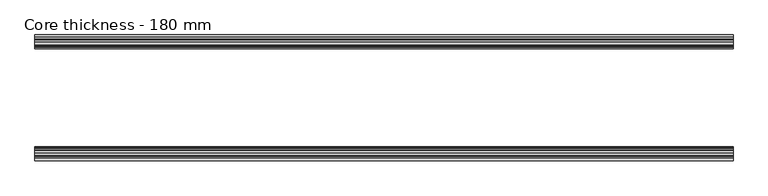
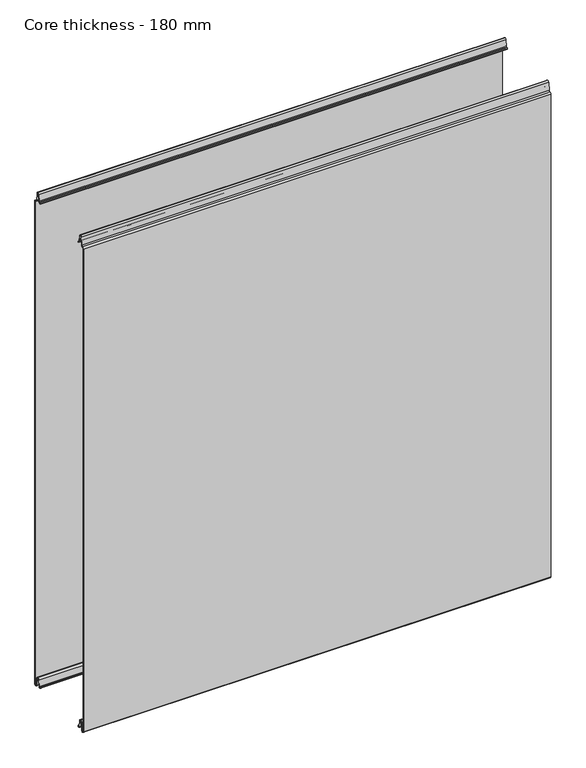
"""IFC4 building model written with IfcOpenShell, lengths in millimetres: plate geometry, Core thickness - 180 mm."""

from ifc_helpers import new_model, si_unit, frame, origin, place, context, project, spatial, polyline, circle_curve, source, transform, mapped, element, save
from ifc_brep_helpers import plane_surface, cylinder_surface, revolved_surface, advanced_brep


def core_thickness_180_mm_349e1e06(model_context):
    return source(origin(), model_context, "Body", "AdvancedBrep", [
        advanced_brep(
        [(500.0000002, -179.1996949, 1093.8000005), (500.0000002, -176.6339815, 1096.1942726), (500.0000002, -173.1209335, 1099.1779769), (500.0000002, -171.4584333, 1116.1334653), (500.0000002, -169.1776715, 1118.1999998), (500.0000002, -166.8969097, 1116.1334653), (500.0000002, -165.5642071, 1102.5415123), (500.0000002, -162.9766159, 1100.1952279), (500.0000002, -161.8996949, 1100.1952279), (500.0000002, -161.2996949, 1099.5952279), (500.0000002, -161.2996949, 1098.4952279), (500.0000002, -160.4996949, 1098.4952279), (500.0000002, -160.4996949, 1099.5952279), (500.0000002, -161.8996949, 1100.9952279), (500.0000002, -162.9766159, 1100.9952279), (500.0000002, -164.7680252, 1102.6195786), (500.0000002, -166.1007278, 1116.2115316), (500.0000002, -169.1776715, 1119.0), (500.0000002, -172.2546153, 1116.2115316), (500.0000002, -173.9171154, 1099.2560432), (500.0000002, -176.5778021, 1097.005967), (500.0000002, -179.9996949, 1093.8000005), (500.0000002, -179.9996949, 2.9900682), (500.0000002, -173.81449, 2.6875612), (500.0000002, -172.197116, 19.1828169), (500.0000002, -169.1776715, 21.8898782), (500.0000002, -166.1582271, 19.1828169), (500.0000002, -164.7725998, 5.0510966), (500.0000002, -160.3830995, 5.265779), (500.0000002, -161.1830995, 5.265779), (500.0000002, -163.9764178, 5.1291629), (500.0000002, -165.3620451, 19.2608832), (500.0000002, -169.1776715, 22.6899182), (500.0000002, -172.9932979, 19.2608832), (500.0000002, -174.6106719, 2.7656275), (500.0000002, -179.1996949, 2.9900682), (-500.0000002, -179.2, 1093.8000005), (-500.0000002, -179.2, 2.9900682), (-500.0000002, -174.6106719, 2.7656275), (-500.0000002, -172.9932979, 19.2608832), (-500.0000002, -169.1776715, 22.6899182), (-500.0000002, -165.3620451, 19.2608832), (-500.0000002, -163.9764178, 5.1291629), (-500.0000002, -161.1830995, 5.265779), (-500.0000002, -160.3830995, 5.265779), (-500.0000002, -164.7725998, 5.0510966), (-500.0000002, -166.1582271, 19.1828169), (-500.0000002, -169.1776715, 21.8898782), (-500.0000002, -172.197116, 19.1828169), (-500.0000002, -173.81449, 2.6875612), (-500.0000002, -179.9996949, 2.9900682), (-500.0000002, -179.9996949, 1093.8000005), (-500.0000002, -176.5787437, 1096.9923633), (-500.0000002, -173.9171154, 1099.2560432), (-500.0000002, -172.2546153, 1116.2115316), (-500.0000002, -169.1776715, 1119.0), (-500.0000002, -166.1007278, 1116.2115316), (-500.0000002, -164.7680252, 1102.6195786), (-500.0000002, -162.9766159, 1100.9952279), (-500.0000002, -161.8996949, 1100.9952279), (-500.0000002, -160.4996949, 1099.5952279), (-500.0000002, -160.4996949, 1098.4952279), (-500.0000002, -161.2996949, 1098.4952279), (-500.0000002, -161.2996949, 1099.5952279), (-500.0000002, -161.8996949, 1100.1952279), (-500.0000002, -162.9766159, 1100.1952279), (-500.0000002, -165.5642071, 1102.5415123), (-500.0000002, -166.8969097, 1116.1334653), (-500.0000002, -169.1776715, 1118.1999998), (-500.0000002, -171.4584333, 1116.1334653), (-500.0000002, -173.1209335, 1099.1779769), (-500.0000002, -176.6330399, 1096.2078763)],
        [
            (0, 1, circle_curve(frame((500.0000002, -176.7996949, 1093.8000005), z_axis=(-1.0, 0.0, 0.0), x_axis=(0.0, 0.0, -1.0)), 2.4)),
            (1, 2, circle_curve(frame((500.0000002, -176.4051839, 1099.5000005), z_axis=(1.0, 0.0, 0.0), x_axis=(0.0, 0.0, -1.0)), 3.3)),
            (2, 3),
            (3, 4, circle_curve(frame((500.0000002, -169.1793626, 1115.9100005), z_axis=(-1.0, 0.0, 0.0), x_axis=(0.0, 0.0, -1.0)), 2.29)),
            (4, 5, circle_curve(frame((500.0000002, -169.1759805, 1115.9100005), z_axis=(-1.0, 0.0, 0.0), x_axis=(0.0, 0.0, -1.0)), 2.29)),
            (5, 6),
            (6, 7, circle_curve(frame((500.0000002, -162.9766159, 1102.7952279), z_axis=(1.0, 0.0, 0.0), x_axis=(0.0, 0.0, -1.0)), 2.6)),
            (7, 8),
            (8, 9, circle_curve(frame((500.0000002, -161.8996949, 1099.5952279), z_axis=(-1.0, 0.0, 0.0), x_axis=(0.0, 0.0, -1.0)), 0.6)),
            (9, 10),
            (10, 11),
            (11, 12),
            (12, 13, circle_curve(frame((500.0000002, -161.8996949, 1099.5952279), z_axis=(1.0, 0.0, 0.0), x_axis=(0.0, 0.0, -1.0)), 1.4)),
            (13, 14),
            (14, 15, circle_curve(frame((500.0000002, -162.9766159, 1102.7952279), z_axis=(-1.0, 0.0, 0.0), x_axis=(0.0, 0.0, -1.0)), 1.8)),
            (15, 16),
            (16, 17, circle_curve(frame((500.0000002, -169.1759805, 1115.9100005), z_axis=(1.0, 0.0, 0.0), x_axis=(0.0, 0.0, -1.0)), 3.09)),
            (17, 18, circle_curve(frame((500.0000002, -169.1793626, 1115.9100005), z_axis=(1.0, 0.0, 0.0), x_axis=(0.0, 0.0, -1.0)), 3.09)),
            (18, 19),
            (19, 20, circle_curve(frame((500.0000002, -176.4051839, 1099.5000005), z_axis=(-1.0, 0.0, 0.0), x_axis=(0.0, 0.0, -1.0)), 2.5)),
            (20, 21, circle_curve(frame((500.0000002, -176.7996949, 1093.8000005), z_axis=(1.0, 0.0, 0.0), x_axis=(0.0, 0.0, -1.0)), 3.2)),
            (21, 22),
            (22, 23, circle_curve(frame((500.0000002, -176.8996949, 2.9900682), z_axis=(1.0, 0.0, 0.0), x_axis=(0.0, 0.0, -1.0)), 3.1)),
            (23, 24),
            (24, 25, circle_curve(frame((500.0000002, -169.2114338, 18.8900682), z_axis=(-1.0, 0.0, 0.0), x_axis=(0.0, 0.0, -1.0)), 3.0)),
            (25, 26, circle_curve(frame((500.0000002, -169.1439093, 18.8900682), z_axis=(-1.0, 0.0, 0.0), x_axis=(0.0, 0.0, -1.0)), 3.0)),
            (26, 27),
            (27, 28, circle_curve(frame((500.0000002, -162.5830995, 5.265779), z_axis=(1.0, 0.0, 0.0), x_axis=(0.0, 0.0, -1.0)), 2.2)),
            (28, 29),
            (29, 30, circle_curve(frame((500.0000002, -162.5830995, 5.265779), z_axis=(-1.0, 0.0, 0.0), x_axis=(0.0, 0.0, -1.0)), 1.4)),
            (30, 31),
            (31, 32, circle_curve(frame((500.0000002, -169.1439093, 18.8900682), z_axis=(1.0, 0.0, 0.0), x_axis=(0.0, 0.0, -1.0)), 3.8)),
            (32, 33, circle_curve(frame((500.0000002, -169.2114338, 18.8900682), z_axis=(1.0, 0.0, 0.0), x_axis=(0.0, 0.0, -1.0)), 3.8)),
            (33, 34),
            (34, 35, circle_curve(frame((500.0000002, -176.8996949, 2.9900682), z_axis=(-1.0, 0.0, 0.0), x_axis=(0.0, 0.0, -1.0)), 2.3)),
            (35, 0),
            (36, 37),
            (37, 38, circle_curve(frame((-500.0000002, -176.8996949, 2.9900682), z_axis=(1.0, 0.0, 0.0), x_axis=(0.0, 0.0, -1.0)), 2.3)),
            (38, 39),
            (39, 40, circle_curve(frame((-500.0000002, -169.2114338, 18.8900682), z_axis=(-1.0, 0.0, 0.0), x_axis=(0.0, 0.0, -1.0)), 3.8)),
            (40, 41, circle_curve(frame((-500.0000002, -169.1439093, 18.8900682), z_axis=(-1.0, 0.0, 0.0), x_axis=(0.0, 0.0, -1.0)), 3.8)),
            (41, 42),
            (42, 43, circle_curve(frame((-500.0000002, -162.5830995, 5.265779), z_axis=(1.0, 0.0, 0.0), x_axis=(0.0, 0.0, -1.0)), 1.4)),
            (43, 44),
            (44, 45, circle_curve(frame((-500.0000002, -162.5830995, 5.265779), z_axis=(-1.0, 0.0, 0.0), x_axis=(0.0, 0.0, -1.0)), 2.2)),
            (45, 46),
            (46, 47, circle_curve(frame((-500.0000002, -169.1439093, 18.8900682), z_axis=(1.0, 0.0, 0.0), x_axis=(0.0, 0.0, -1.0)), 3.0)),
            (47, 48, circle_curve(frame((-500.0000002, -169.2114338, 18.8900682), z_axis=(1.0, 0.0, 0.0), x_axis=(0.0, 0.0, -1.0)), 3.0)),
            (48, 49),
            (49, 50, circle_curve(frame((-500.0000002, -176.8996949, 2.9900682), z_axis=(-1.0, 0.0, 0.0), x_axis=(0.0, 0.0, -1.0)), 3.1)),
            (50, 51),
            (51, 52, circle_curve(frame((-500.0000002, -176.7996949, 1093.8000005), z_axis=(-1.0, 0.0, 0.0), x_axis=(0.0, 0.0, -1.0)), 3.2)),
            (52, 53, circle_curve(frame((-500.0000002, -176.4051839, 1099.5000005), z_axis=(1.0, 0.0, 0.0), x_axis=(0.0, 0.0, -1.0)), 2.5)),
            (53, 54),
            (54, 55, circle_curve(frame((-500.0000002, -169.1793626, 1115.9100005), z_axis=(-1.0, 0.0, 0.0), x_axis=(0.0, 0.0, -1.0)), 3.09)),
            (55, 56, circle_curve(frame((-500.0000002, -169.1759805, 1115.9100005), z_axis=(-1.0, 0.0, 0.0), x_axis=(0.0, 0.0, -1.0)), 3.09)),
            (56, 57),
            (57, 58, circle_curve(frame((-500.0000002, -162.9766159, 1102.7952279), z_axis=(1.0, 0.0, 0.0), x_axis=(0.0, 0.0, -1.0)), 1.8)),
            (58, 59),
            (59, 60, circle_curve(frame((-500.0000002, -161.8996949, 1099.5952279), z_axis=(-1.0, 0.0, 0.0), x_axis=(0.0, 0.0, -1.0)), 1.4)),
            (60, 61),
            (61, 62),
            (62, 63),
            (63, 64, circle_curve(frame((-500.0000002, -161.8996949, 1099.5952279), z_axis=(1.0, 0.0, 0.0), x_axis=(0.0, 0.0, -1.0)), 0.6)),
            (64, 65),
            (65, 66, circle_curve(frame((-500.0000002, -162.9766159, 1102.7952279), z_axis=(-1.0, 0.0, 0.0), x_axis=(0.0, 0.0, -1.0)), 2.6)),
            (66, 67),
            (67, 68, circle_curve(frame((-500.0000002, -169.1759805, 1115.9100005), z_axis=(1.0, 0.0, 0.0), x_axis=(0.0, 0.0, -1.0)), 2.29)),
            (68, 69, circle_curve(frame((-500.0000002, -169.1793626, 1115.9100005), z_axis=(1.0, 0.0, 0.0), x_axis=(0.0, 0.0, -1.0)), 2.29)),
            (69, 70),
            (70, 71, circle_curve(frame((-500.0000002, -176.4051839, 1099.5000005), z_axis=(-1.0, 0.0, 0.0), x_axis=(0.0, 0.0, -1.0)), 3.3)),
            (71, 36, circle_curve(frame((-500.0000002, -176.7996949, 1093.8000005), z_axis=(1.0, 0.0, 0.0), x_axis=(0.0, 0.0, -1.0)), 2.4)),
            (35, 37),
            (36, 0),
            (21, 51),
            (50, 22),
            (20, 52),
            (19, 53),
            (18, 54),
            (17, 55),
            (16, 56),
            (15, 57),
            (14, 58),
            (13, 59),
            (12, 60),
            (11, 61),
            (10, 62),
            (9, 63),
            (8, 64),
            (7, 65),
            (6, 66),
            (5, 67),
            (4, 68),
            (3, 69),
            (2, 70),
            (1, 71),
            (34, 38),
            (33, 39),
            (32, 40),
            (31, 41),
            (30, 42),
            (29, 43),
            (28, 44),
            (27, 45),
            (26, 46),
            (25, 47),
            (24, 48),
            (23, 49),
        ],
        [
            plane_surface(frame((500.0000002, -180.0, 0.0), z_axis=(1.0, 0.0, 0.0), x_axis=(0.0, 1.0, 0.0))),
            plane_surface(frame((-500.0000002, -180.0, 0.0), z_axis=(-1.0, 0.0, 0.0), x_axis=(0.0, 1.0, 0.0))),
            plane_surface(frame((500.0000002, -179.2, 2.9900682), z_axis=(0.0, 1.0, 0.0), x_axis=(-1.0, 0.0, 0.0))),
            plane_surface(frame((500.0000002, -179.9996949, 1093.8000005), z_axis=(0.0, -1.0, 0.0), x_axis=(-1.0, 0.0, 0.0))),
            cylinder_surface(frame((500.0000002, -176.7996949, 1093.8000005), z_axis=(1.0, 0.0, 0.0), x_axis=(0.0, 0.0, -1.0)), 3.2),
            revolved_surface(polyline([(-500.0000002, -176.4051839, 1097.0000005), (500.0000002, -176.4051839, 1097.0000005)]), (500.0000002, -176.4051839, 1099.5000005), (-1.0, 0.0, 0.0)),
            plane_surface(frame((500.0000002, -172.2546153, 1116.2115316), z_axis=(0.0, -0.9952273999818317, 0.0975828997591444), x_axis=(-1.0, 0.0, 0.0))),
            cylinder_surface(frame((500.0000002, -169.1793626, 1115.9100005), z_axis=(1.0, 0.0, 0.0), x_axis=(0.0, 0.0, -1.0)), 3.09),
            cylinder_surface(frame((500.0000002, -169.1759805, 1115.9100005), z_axis=(1.0, 0.0, 0.0), x_axis=(0.0, 0.0, -1.0)), 3.09),
            plane_surface(frame((500.0000002, -164.7680252, 1102.6195786), z_axis=(0.0, 0.9952273999818314, 0.0975828997591471), x_axis=(-1.0, 0.0, 0.0))),
            revolved_surface(polyline([(-500.0000002, -162.9766159, 1100.9952279000001), (500.0000002, -162.9766159, 1100.9952279000001)]), (500.0000002, -162.9766159, 1102.7952279), (-1.0, 0.0, 0.0)),
            plane_surface(frame((500.0000002, -161.8996949, 1100.9952279), z_axis=(0.0, 0.0, 1.0), x_axis=(-1.0, 0.0, 0.0))),
            cylinder_surface(frame((500.0000002, -161.8996949, 1099.5952279), z_axis=(1.0, 0.0, 0.0), x_axis=(0.0, 0.0, -1.0)), 1.4),
            plane_surface(frame((500.0000002, -160.4996949, 1098.4952279), z_axis=(0.0, 1.0, 0.0), x_axis=(-1.0, 0.0, 0.0))),
            plane_surface(frame((500.0000002, -161.2996949, 1098.4952279), z_axis=(0.0, 0.0, -1.0), x_axis=(-1.0, 0.0, 0.0))),
            plane_surface(frame((500.0000002, -161.2996949, 1099.5952279), z_axis=(0.0, -1.0, 0.0), x_axis=(-1.0, 0.0, 0.0))),
            revolved_surface(polyline([(-500.0000002, -161.8996949, 1098.9952279000001), (500.0000002, -161.8996949, 1098.9952279000001)]), (500.0000002, -161.8996949, 1099.5952279), (-1.0, 0.0, 0.0)),
            plane_surface(frame((500.0000002, -162.9766159, 1100.1952279), z_axis=(0.0, 0.0, -1.0), x_axis=(-1.0, 0.0, 0.0))),
            cylinder_surface(frame((500.0000002, -162.9766159, 1102.7952279), z_axis=(1.0, 0.0, 0.0), x_axis=(0.0, 0.0, -1.0)), 2.6),
            plane_surface(frame((500.0000002, -166.8969097, 1116.1334653), z_axis=(0.0, -0.9952273999818314, -0.09758289975914705), x_axis=(-1.0, 0.0, 0.0))),
            revolved_surface(polyline([(-500.0000002, -169.1759805, 1113.6200005), (500.0000002, -169.1759805, 1113.6200005)]), (500.0000002, -169.1759805, 1115.9100005), (-1.0, 0.0, 0.0)),
            revolved_surface(polyline([(-500.0000002, -169.1793626, 1113.6200005), (500.0000002, -169.1793626, 1113.6200005)]), (500.0000002, -169.1793626, 1115.9100005), (-1.0, 0.0, 0.0)),
            plane_surface(frame((500.0000002, -173.1209335, 1099.1779769), z_axis=(0.0, 0.9952273999818317, -0.09758289975914436), x_axis=(-1.0, 0.0, 0.0))),
            cylinder_surface(frame((500.0000002, -176.4051839, 1099.5000005), z_axis=(1.0, 0.0, 0.0), x_axis=(0.0, 0.0, -1.0)), 3.3),
            revolved_surface(polyline([(-500.0000002, -176.7996949, 1091.4000004999998), (500.0000002, -176.7996949, 1091.4000004999998)]), (500.0000002, -176.7996949, 1093.8000005), (-1.0, 0.0, 0.0)),
            revolved_surface(polyline([(-500.0000002, -176.8996949, 0.6900682000000002), (500.0000002, -176.8996949, 0.6900682000000002)]), (500.0000002, -176.8996949, 2.9900682), (-1.0, 0.0, 0.0)),
            plane_surface(frame((500.0000002, -172.9932979, 19.2608832), z_axis=(0.0, -0.9952273999818314, 0.09758289975914787), x_axis=(-1.0, 0.0, 0.0))),
            cylinder_surface(frame((500.0000002, -169.2114338, 18.8900682), z_axis=(1.0, 0.0, 0.0), x_axis=(0.0, 0.0, -1.0)), 3.8),
            cylinder_surface(frame((500.0000002, -169.1439093, 18.8900682), z_axis=(1.0, 0.0, 0.0), x_axis=(0.0, 0.0, -1.0)), 3.8),
            plane_surface(frame((500.0000002, -163.9764178, 5.1291629), z_axis=(0.0, 0.9952273999818297, 0.09758289975916531), x_axis=(-1.0, 0.0, 0.0))),
            revolved_surface(polyline([(-500.0000002, -162.5830995, 3.8657790000000003), (500.0000002, -162.5830995, 3.8657790000000003)]), (500.0000002, -162.5830995, 5.265779), (-1.0, 0.0, 0.0)),
            plane_surface(frame((500.0000002, -160.3830995, 5.265779), z_axis=(0.0, 0.0, 1.0), x_axis=(-1.0, 0.0, 0.0))),
            cylinder_surface(frame((500.0000002, -162.5830995, 5.265779), z_axis=(1.0, 0.0, 0.0), x_axis=(0.0, 0.0, -1.0)), 2.2),
            plane_surface(frame((500.0000002, -166.1582271, 19.1828169), z_axis=(0.0, -0.9952273999818296, -0.09758289975916527), x_axis=(-1.0, 0.0, 0.0))),
            revolved_surface(polyline([(-500.0000002, -169.1439093, 15.890068200000002), (500.0000002, -169.1439093, 15.890068200000002)]), (500.0000002, -169.1439093, 18.8900682), (-1.0, 0.0, 0.0)),
            revolved_surface(polyline([(-500.0000002, -169.2114338, 15.890068200000002), (500.0000002, -169.2114338, 15.890068200000002)]), (500.0000002, -169.2114338, 18.8900682), (-1.0, 0.0, 0.0)),
            plane_surface(frame((500.0000002, -173.81449, 2.6875612), z_axis=(0.0, 0.9952273999818314, -0.09758289975914787), x_axis=(-1.0, 0.0, 0.0))),
            cylinder_surface(frame((500.0000002, -176.8996949, 2.9900682), z_axis=(1.0, 0.0, 0.0), x_axis=(0.0, 0.0, -1.0)), 3.1),
        ],
        [
            (0, [[1, 2, 3, 4, 5, 6, 7, 8, 9, 10, 11, 12, 13, 14, 15, 16, 17, 18, 19, 20, 21, 22, 23, 24, 25, 26, 27, 28, 29, 30, 31, 32, 33, 34, 35, 36]]),
            (1, [[37, 38, 39, 40, 41, 42, 43, 44, 45, 46, 47, 48, 49, 50, 51, 52, 53, 54, 55, 56, 57, 58, 59, 60, 61, 62, 63, 64, 65, 66, 67, 68, 69, 70, 71, 72]]),
            (2, [[-36, 73, -37, 74]]),
            (3, [[-22, 75, -51, 76]]),
            (4, [[-21, 77, -52, -75]]),
            (5, [[-20, 78, -53, -77]]),
            (6, [[-19, 79, -54, -78]]),
            (7, [[-18, 80, -55, -79]]),
            (8, [[-17, 81, -56, -80]]),
            (9, [[-16, 82, -57, -81]]),
            (10, [[-15, 83, -58, -82]]),
            (11, [[-14, 84, -59, -83]]),
            (12, [[-13, 85, -60, -84]]),
            (13, [[-12, 86, -61, -85]]),
            (14, [[-11, 87, -62, -86]]),
            (15, [[-10, 88, -63, -87]]),
            (16, [[-9, 89, -64, -88]]),
            (17, [[-8, 90, -65, -89]]),
            (18, [[-7, 91, -66, -90]]),
            (19, [[-6, 92, -67, -91]]),
            (20, [[-5, 93, -68, -92]]),
            (21, [[-4, 94, -69, -93]]),
            (22, [[-3, 95, -70, -94]]),
            (23, [[-2, 96, -71, -95]]),
            (24, [[-1, -74, -72, -96]]),
            (25, [[-35, 97, -38, -73]]),
            (26, [[-34, 98, -39, -97]]),
            (27, [[-33, 99, -40, -98]]),
            (28, [[-32, 100, -41, -99]]),
            (29, [[-31, 101, -42, -100]]),
            (30, [[-30, 102, -43, -101]]),
            (31, [[-29, 103, -44, -102]]),
            (32, [[-28, 104, -45, -103]]),
            (33, [[-27, 105, -46, -104]]),
            (34, [[-26, 106, -47, -105]]),
            (35, [[-25, 107, -48, -106]]),
            (36, [[-24, 108, -49, -107]]),
            (37, [[-23, -76, -50, -108]]),
        ],
    ),
        advanced_brep(
        [(500.0000002, -0.8, 1093.8000005), (500.0000002, -0.8, 2.9900682), (500.0000002, -5.3893281, 2.7656275), (500.0000002, -7.0067021, 19.2608832), (500.0000002, -10.8223285, 22.6899182), (500.0000002, -14.6379549, 19.2608832), (500.0000002, -16.0235822, 5.1291629), (500.0000002, -18.8169005, 5.265779), (500.0000002, -19.6169005, 5.265779), (500.0000002, -15.2274002, 5.0510966), (500.0000002, -13.8417729, 19.1828169), (500.0000002, -10.8223285, 21.8898782), (500.0000002, -7.802884, 19.1828169), (500.0000002, -6.18551, 2.6875612), (500.0000002, -0.0003051, 2.9900682), (500.0000002, -0.0003051, 1093.8000005), (500.0000002, -3.4212563, 1096.9923633), (500.0000002, -6.0828846, 1099.2560432), (500.0000002, -7.7453847, 1116.2115316), (500.0000002, -10.8223285, 1119.0), (500.0000002, -13.8992722, 1116.2115316), (500.0000002, -15.2319748, 1102.6195786), (500.0000002, -17.0233841, 1100.9952279), (500.0000002, -18.1003051, 1100.9952279), (500.0000002, -19.5003051, 1099.5952279), (500.0000002, -19.5003051, 1098.4952279), (500.0000002, -18.7003051, 1098.4952279), (500.0000002, -18.7003051, 1099.5952279), (500.0000002, -18.1003051, 1100.1952279), (500.0000002, -17.0233841, 1100.1952279), (500.0000002, -14.4357929, 1102.5415123), (500.0000002, -13.1030903, 1116.1334653), (500.0000002, -10.8223285, 1118.1999998), (500.0000002, -8.5415667, 1116.1334653), (500.0000002, -6.8790665, 1099.1779769), (500.0000002, -3.3669601, 1096.2078763), (-500.0000002, -0.8003051, 1093.8000005), (-500.0000002, -3.3660185, 1096.1942726), (-500.0000002, -6.8790665, 1099.1779769), (-500.0000002, -8.5415667, 1116.1334653), (-500.0000002, -10.8223285, 1118.1999998), (-500.0000002, -13.1030903, 1116.1334653), (-500.0000002, -14.4357929, 1102.5415123), (-500.0000002, -17.0233841, 1100.1952279), (-500.0000002, -18.1003051, 1100.1952279), (-500.0000002, -18.7003051, 1099.5952279), (-500.0000002, -18.7003051, 1098.4952279), (-500.0000002, -19.5003051, 1098.4952279), (-500.0000002, -19.5003051, 1099.5952279), (-500.0000002, -18.1003051, 1100.9952279), (-500.0000002, -17.0233841, 1100.9952279), (-500.0000002, -15.2319748, 1102.6195786), (-500.0000002, -13.8992722, 1116.2115316), (-500.0000002, -10.8223285, 1119.0), (-500.0000002, -7.7453847, 1116.2115316), (-500.0000002, -6.0828846, 1099.2560432), (-500.0000002, -3.4221979, 1097.005967), (-500.0000002, -0.0003051, 1093.8000005), (-500.0000002, -0.0003051, 2.9900682), (-500.0000002, -6.18551, 2.6875612), (-500.0000002, -7.802884, 19.1828169), (-500.0000002, -10.8223285, 21.8898782), (-500.0000002, -13.8417729, 19.1828169), (-500.0000002, -15.2274002, 5.0510966), (-500.0000002, -19.6169005, 5.265779), (-500.0000002, -18.8169005, 5.265779), (-500.0000002, -16.0235822, 5.1291629), (-500.0000002, -14.6379549, 19.2608832), (-500.0000002, -10.8223285, 22.6899182), (-500.0000002, -7.0067021, 19.2608832), (-500.0000002, -5.3893281, 2.7656275), (-500.0000002, -0.8003051, 2.9900682)],
        [
            (0, 1),
            (1, 2, circle_curve(frame((500.0000002, -3.1003051, 2.9900682), z_axis=(-1.0, 0.0, 0.0), x_axis=(0.0, 0.0, -1.0)), 2.3)),
            (2, 3),
            (3, 4, circle_curve(frame((500.0000002, -10.7885662, 18.8900682), z_axis=(1.0, 0.0, 0.0), x_axis=(0.0, 0.0, -1.0)), 3.8)),
            (4, 5, circle_curve(frame((500.0000002, -10.8560907, 18.8900682), z_axis=(1.0, 0.0, 0.0), x_axis=(0.0, 0.0, -1.0)), 3.8)),
            (5, 6),
            (6, 7, circle_curve(frame((500.0000002, -17.4169005, 5.265779), z_axis=(-1.0, 0.0, 0.0), x_axis=(0.0, 0.0, -1.0)), 1.4)),
            (7, 8),
            (8, 9, circle_curve(frame((500.0000002, -17.4169005, 5.265779), z_axis=(1.0, 0.0, 0.0), x_axis=(0.0, 0.0, -1.0)), 2.2)),
            (9, 10),
            (10, 11, circle_curve(frame((500.0000002, -10.8560907, 18.8900682), z_axis=(-1.0, 0.0, 0.0), x_axis=(0.0, 0.0, -1.0)), 3.0)),
            (11, 12, circle_curve(frame((500.0000002, -10.7885662, 18.8900682), z_axis=(-1.0, 0.0, 0.0), x_axis=(0.0, 0.0, -1.0)), 3.0)),
            (12, 13),
            (13, 14, circle_curve(frame((500.0000002, -3.1003051, 2.9900682), z_axis=(1.0, 0.0, 0.0), x_axis=(0.0, 0.0, -1.0)), 3.1)),
            (14, 15),
            (15, 16, circle_curve(frame((500.0000002, -3.2003051, 1093.8000005), z_axis=(1.0, 0.0, 0.0), x_axis=(0.0, 0.0, -1.0)), 3.2)),
            (16, 17, circle_curve(frame((500.0000002, -3.5948161, 1099.5000005), z_axis=(-1.0, 0.0, 0.0), x_axis=(0.0, 0.0, -1.0)), 2.5)),
            (17, 18),
            (18, 19, circle_curve(frame((500.0000002, -10.8206374, 1115.9100005), z_axis=(1.0, 0.0, 0.0), x_axis=(0.0, 0.0, -1.0)), 3.09)),
            (19, 20, circle_curve(frame((500.0000002, -10.8240195, 1115.9100005), z_axis=(1.0, 0.0, 0.0), x_axis=(0.0, 0.0, -1.0)), 3.09)),
            (20, 21),
            (21, 22, circle_curve(frame((500.0000002, -17.0233841, 1102.7952279), z_axis=(-1.0, 0.0, 0.0), x_axis=(0.0, 0.0, -1.0)), 1.8)),
            (22, 23),
            (23, 24, circle_curve(frame((500.0000002, -18.1003051, 1099.5952279), z_axis=(1.0, 0.0, 0.0), x_axis=(0.0, 0.0, -1.0)), 1.4)),
            (24, 25),
            (25, 26),
            (26, 27),
            (27, 28, circle_curve(frame((500.0000002, -18.1003051, 1099.5952279), z_axis=(-1.0, 0.0, 0.0), x_axis=(0.0, 0.0, -1.0)), 0.6)),
            (28, 29),
            (29, 30, circle_curve(frame((500.0000002, -17.0233841, 1102.7952279), z_axis=(1.0, 0.0, 0.0), x_axis=(0.0, 0.0, -1.0)), 2.6)),
            (30, 31),
            (31, 32, circle_curve(frame((500.0000002, -10.8240195, 1115.9100005), z_axis=(-1.0, 0.0, 0.0), x_axis=(0.0, 0.0, -1.0)), 2.29)),
            (32, 33, circle_curve(frame((500.0000002, -10.8206374, 1115.9100005), z_axis=(-1.0, 0.0, 0.0), x_axis=(0.0, 0.0, -1.0)), 2.29)),
            (33, 34),
            (34, 35, circle_curve(frame((500.0000002, -3.5948161, 1099.5000005), z_axis=(1.0, 0.0, 0.0), x_axis=(0.0, 0.0, -1.0)), 3.3)),
            (35, 0, circle_curve(frame((500.0000002, -3.2003051, 1093.8000005), z_axis=(-1.0, 0.0, 0.0), x_axis=(0.0, 0.0, -1.0)), 2.4)),
            (36, 37, circle_curve(frame((-500.0000002, -3.2003051, 1093.8000005), z_axis=(1.0, 0.0, 0.0), x_axis=(0.0, 0.0, -1.0)), 2.4)),
            (37, 38, circle_curve(frame((-500.0000002, -3.5948161, 1099.5000005), z_axis=(-1.0, 0.0, 0.0), x_axis=(0.0, 0.0, -1.0)), 3.3)),
            (38, 39),
            (39, 40, circle_curve(frame((-500.0000002, -10.8206374, 1115.9100005), z_axis=(1.0, 0.0, 0.0), x_axis=(0.0, 0.0, -1.0)), 2.29)),
            (40, 41, circle_curve(frame((-500.0000002, -10.8240195, 1115.9100005), z_axis=(1.0, 0.0, 0.0), x_axis=(0.0, 0.0, -1.0)), 2.29)),
            (41, 42),
            (42, 43, circle_curve(frame((-500.0000002, -17.0233841, 1102.7952279), z_axis=(-1.0, 0.0, 0.0), x_axis=(0.0, 0.0, -1.0)), 2.6)),
            (43, 44),
            (44, 45, circle_curve(frame((-500.0000002, -18.1003051, 1099.5952279), z_axis=(1.0, 0.0, 0.0), x_axis=(0.0, 0.0, -1.0)), 0.6)),
            (45, 46),
            (46, 47),
            (47, 48),
            (48, 49, circle_curve(frame((-500.0000002, -18.1003051, 1099.5952279), z_axis=(-1.0, 0.0, 0.0), x_axis=(0.0, 0.0, -1.0)), 1.4)),
            (49, 50),
            (50, 51, circle_curve(frame((-500.0000002, -17.0233841, 1102.7952279), z_axis=(1.0, 0.0, 0.0), x_axis=(0.0, 0.0, -1.0)), 1.8)),
            (51, 52),
            (52, 53, circle_curve(frame((-500.0000002, -10.8240195, 1115.9100005), z_axis=(-1.0, 0.0, 0.0), x_axis=(0.0, 0.0, -1.0)), 3.09)),
            (53, 54, circle_curve(frame((-500.0000002, -10.8206374, 1115.9100005), z_axis=(-1.0, 0.0, 0.0), x_axis=(0.0, 0.0, -1.0)), 3.09)),
            (54, 55),
            (55, 56, circle_curve(frame((-500.0000002, -3.5948161, 1099.5000005), z_axis=(1.0, 0.0, 0.0), x_axis=(0.0, 0.0, -1.0)), 2.5)),
            (56, 57, circle_curve(frame((-500.0000002, -3.2003051, 1093.8000005), z_axis=(-1.0, 0.0, 0.0), x_axis=(0.0, 0.0, -1.0)), 3.2)),
            (57, 58),
            (58, 59, circle_curve(frame((-500.0000002, -3.1003051, 2.9900682), z_axis=(-1.0, 0.0, 0.0), x_axis=(0.0, 0.0, -1.0)), 3.1)),
            (59, 60),
            (60, 61, circle_curve(frame((-500.0000002, -10.7885662, 18.8900682), z_axis=(1.0, 0.0, 0.0), x_axis=(0.0, 0.0, -1.0)), 3.0)),
            (61, 62, circle_curve(frame((-500.0000002, -10.8560907, 18.8900682), z_axis=(1.0, 0.0, 0.0), x_axis=(0.0, 0.0, -1.0)), 3.0)),
            (62, 63),
            (63, 64, circle_curve(frame((-500.0000002, -17.4169005, 5.265779), z_axis=(-1.0, 0.0, 0.0), x_axis=(0.0, 0.0, -1.0)), 2.2)),
            (64, 65),
            (65, 66, circle_curve(frame((-500.0000002, -17.4169005, 5.265779), z_axis=(1.0, 0.0, 0.0), x_axis=(0.0, 0.0, -1.0)), 1.4)),
            (66, 67),
            (67, 68, circle_curve(frame((-500.0000002, -10.8560907, 18.8900682), z_axis=(-1.0, 0.0, 0.0), x_axis=(0.0, 0.0, -1.0)), 3.8)),
            (68, 69, circle_curve(frame((-500.0000002, -10.7885662, 18.8900682), z_axis=(-1.0, 0.0, 0.0), x_axis=(0.0, 0.0, -1.0)), 3.8)),
            (69, 70),
            (70, 71, circle_curve(frame((-500.0000002, -3.1003051, 2.9900682), z_axis=(1.0, 0.0, 0.0), x_axis=(0.0, 0.0, -1.0)), 2.3)),
            (71, 36),
            (35, 37),
            (36, 0),
            (34, 38),
            (33, 39),
            (32, 40),
            (31, 41),
            (30, 42),
            (29, 43),
            (28, 44),
            (27, 45),
            (26, 46),
            (25, 47),
            (24, 48),
            (23, 49),
            (22, 50),
            (21, 51),
            (20, 52),
            (19, 53),
            (18, 54),
            (17, 55),
            (16, 56),
            (15, 57),
            (14, 58),
            (71, 1),
            (13, 59),
            (12, 60),
            (11, 61),
            (10, 62),
            (9, 63),
            (8, 64),
            (7, 65),
            (6, 66),
            (5, 67),
            (4, 68),
            (3, 69),
            (2, 70),
        ],
        [
            plane_surface(frame((500.0000002, 0.0, 0.0), z_axis=(1.0, 0.0, 0.0), x_axis=(0.0, -1.0, 0.0))),
            plane_surface(frame((-500.0000002, 0.0, 0.0), z_axis=(-1.0, 0.0, 0.0), x_axis=(0.0, -1.0, 0.0))),
            revolved_surface(polyline([(-500.0000002, -3.2003051, 1091.4000004999998), (500.0000002, -3.2003051, 1091.4000004999998)]), (500.0000002, -3.2003051, 1093.8000005), (-1.0, 0.0, 0.0)),
            cylinder_surface(frame((500.0000002, -3.5948161, 1099.5000005), z_axis=(1.0, 0.0, 0.0), x_axis=(0.0, 0.0, -1.0)), 3.3),
            plane_surface(frame((500.0000002, -8.5415667, 1116.1334653), z_axis=(0.0, -0.9952273999818317, -0.09758289975914436), x_axis=(-1.0, 0.0, 0.0))),
            revolved_surface(polyline([(-500.0000002, -10.8206374, 1113.6200005), (500.0000002, -10.8206374, 1113.6200005)]), (500.0000002, -10.8206374, 1115.9100005), (-1.0, 0.0, 0.0)),
            revolved_surface(polyline([(-500.0000002, -10.8240195, 1113.6200005), (500.0000002, -10.8240195, 1113.6200005)]), (500.0000002, -10.8240195, 1115.9100005), (-1.0, 0.0, 0.0)),
            plane_surface(frame((500.0000002, -14.4357929, 1102.5415123), z_axis=(0.0, 0.9952273999818314, -0.09758289975914705), x_axis=(-1.0, 0.0, 0.0))),
            cylinder_surface(frame((500.0000002, -17.0233841, 1102.7952279), z_axis=(1.0, 0.0, 0.0), x_axis=(0.0, 0.0, -1.0)), 2.6),
            plane_surface(frame((500.0000002, -18.1003051, 1100.1952279), z_axis=(0.0, 0.0, -1.0), x_axis=(-1.0, 0.0, 0.0))),
            revolved_surface(polyline([(-500.0000002, -18.1003051, 1098.9952279000001), (500.0000002, -18.1003051, 1098.9952279000001)]), (500.0000002, -18.1003051, 1099.5952279), (-1.0, 0.0, 0.0)),
            plane_surface(frame((500.0000002, -18.7003051, 1098.4952279), z_axis=(0.0, 1.0, 0.0), x_axis=(-1.0, 0.0, 0.0))),
            plane_surface(frame((500.0000002, -19.5003051, 1098.4952279), z_axis=(0.0, 0.0, -1.0), x_axis=(-1.0, 0.0, 0.0))),
            plane_surface(frame((500.0000002, -19.5003051, 1099.5952279), z_axis=(0.0, -1.0, 0.0), x_axis=(-1.0, 0.0, 0.0))),
            cylinder_surface(frame((500.0000002, -18.1003051, 1099.5952279), z_axis=(1.0, 0.0, 0.0), x_axis=(0.0, 0.0, -1.0)), 1.4),
            plane_surface(frame((500.0000002, -17.0233841, 1100.9952279), z_axis=(0.0, 0.0, 1.0), x_axis=(-1.0, 0.0, 0.0))),
            revolved_surface(polyline([(-500.0000002, -17.0233841, 1100.9952279000001), (500.0000002, -17.0233841, 1100.9952279000001)]), (500.0000002, -17.0233841, 1102.7952279), (-1.0, 0.0, 0.0)),
            plane_surface(frame((500.0000002, -13.8992722, 1116.2115316), z_axis=(0.0, -0.9952273999818314, 0.0975828997591471), x_axis=(-1.0, 0.0, 0.0))),
            cylinder_surface(frame((500.0000002, -10.8240195, 1115.9100005), z_axis=(1.0, 0.0, 0.0), x_axis=(0.0, 0.0, -1.0)), 3.09),
            cylinder_surface(frame((500.0000002, -10.8206374, 1115.9100005), z_axis=(1.0, 0.0, 0.0), x_axis=(0.0, 0.0, -1.0)), 3.09),
            plane_surface(frame((500.0000002, -6.0828846, 1099.2560432), z_axis=(0.0, 0.9952273999818317, 0.0975828997591444), x_axis=(-1.0, 0.0, 0.0))),
            revolved_surface(polyline([(-500.0000002, -3.5948161, 1097.0000005), (500.0000002, -3.5948161, 1097.0000005)]), (500.0000002, -3.5948161, 1099.5000005), (-1.0, 0.0, 0.0)),
            cylinder_surface(frame((500.0000002, -3.2003051, 1093.8000005), z_axis=(1.0, 0.0, 0.0), x_axis=(0.0, 0.0, -1.0)), 3.2),
            plane_surface(frame((500.0000002, -0.0003051, 2.9900682), z_axis=(0.0, 1.0, 0.0), x_axis=(-1.0, 0.0, 0.0))),
            plane_surface(frame((500.0000002, -0.8, 1093.8000005), z_axis=(0.0, -1.0, 0.0), x_axis=(-1.0, 0.0, 0.0))),
            cylinder_surface(frame((500.0000002, -3.1003051, 2.9900682), z_axis=(1.0, 0.0, 0.0), x_axis=(0.0, 0.0, -1.0)), 3.1),
            plane_surface(frame((500.0000002, -7.802884, 19.1828169), z_axis=(0.0, -0.9952273999818314, -0.09758289975914787), x_axis=(-1.0, 0.0, 0.0))),
            revolved_surface(polyline([(-500.0000002, -10.7885662, 15.890068200000002), (500.0000002, -10.7885662, 15.890068200000002)]), (500.0000002, -10.7885662, 18.8900682), (-1.0, 0.0, 0.0)),
            revolved_surface(polyline([(-500.0000002, -10.8560907, 15.890068200000002), (500.0000002, -10.8560907, 15.890068200000002)]), (500.0000002, -10.8560907, 18.8900682), (-1.0, 0.0, 0.0)),
            plane_surface(frame((500.0000002, -15.2274002, 5.0510966), z_axis=(0.0, 0.9952273999818296, -0.09758289975916527), x_axis=(-1.0, 0.0, 0.0))),
            cylinder_surface(frame((500.0000002, -17.4169005, 5.265779), z_axis=(1.0, 0.0, 0.0), x_axis=(0.0, 0.0, -1.0)), 2.2),
            plane_surface(frame((500.0000002, -18.8169005, 5.265779), z_axis=(0.0, 0.0, 1.0), x_axis=(-1.0, 0.0, 0.0))),
            revolved_surface(polyline([(-500.0000002, -17.4169005, 3.8657790000000003), (500.0000002, -17.4169005, 3.8657790000000003)]), (500.0000002, -17.4169005, 5.265779), (-1.0, 0.0, 0.0)),
            plane_surface(frame((500.0000002, -14.6379549, 19.2608832), z_axis=(0.0, -0.9952273999818297, 0.09758289975916531), x_axis=(-1.0, 0.0, 0.0))),
            cylinder_surface(frame((500.0000002, -10.8560907, 18.8900682), z_axis=(1.0, 0.0, 0.0), x_axis=(0.0, 0.0, -1.0)), 3.8),
            cylinder_surface(frame((500.0000002, -10.7885662, 18.8900682), z_axis=(1.0, 0.0, 0.0), x_axis=(0.0, 0.0, -1.0)), 3.8),
            plane_surface(frame((500.0000002, -5.3893281, 2.7656275), z_axis=(0.0, 0.9952273999818314, 0.09758289975914787), x_axis=(-1.0, 0.0, 0.0))),
            revolved_surface(polyline([(-500.0000002, -3.1003051, 0.6900682000000002), (500.0000002, -3.1003051, 0.6900682000000002)]), (500.0000002, -3.1003051, 2.9900682), (-1.0, 0.0, 0.0)),
        ],
        [
            (0, [[1, 2, 3, 4, 5, 6, 7, 8, 9, 10, 11, 12, 13, 14, 15, 16, 17, 18, 19, 20, 21, 22, 23, 24, 25, 26, 27, 28, 29, 30, 31, 32, 33, 34, 35, 36]]),
            (1, [[37, 38, 39, 40, 41, 42, 43, 44, 45, 46, 47, 48, 49, 50, 51, 52, 53, 54, 55, 56, 57, 58, 59, 60, 61, 62, 63, 64, 65, 66, 67, 68, 69, 70, 71, 72]]),
            (2, [[-36, 73, -37, 74]]),
            (3, [[-35, 75, -38, -73]]),
            (4, [[-34, 76, -39, -75]]),
            (5, [[-33, 77, -40, -76]]),
            (6, [[-32, 78, -41, -77]]),
            (7, [[-31, 79, -42, -78]]),
            (8, [[-30, 80, -43, -79]]),
            (9, [[-29, 81, -44, -80]]),
            (10, [[-28, 82, -45, -81]]),
            (11, [[-27, 83, -46, -82]]),
            (12, [[-26, 84, -47, -83]]),
            (13, [[-25, 85, -48, -84]]),
            (14, [[-24, 86, -49, -85]]),
            (15, [[-23, 87, -50, -86]]),
            (16, [[-22, 88, -51, -87]]),
            (17, [[-21, 89, -52, -88]]),
            (18, [[-20, 90, -53, -89]]),
            (19, [[-19, 91, -54, -90]]),
            (20, [[-18, 92, -55, -91]]),
            (21, [[-17, 93, -56, -92]]),
            (22, [[-16, 94, -57, -93]]),
            (23, [[-15, 95, -58, -94]]),
            (24, [[-1, -74, -72, 96]]),
            (25, [[-14, 97, -59, -95]]),
            (26, [[-13, 98, -60, -97]]),
            (27, [[-12, 99, -61, -98]]),
            (28, [[-11, 100, -62, -99]]),
            (29, [[-10, 101, -63, -100]]),
            (30, [[-9, 102, -64, -101]]),
            (31, [[-8, 103, -65, -102]]),
            (32, [[-7, 104, -66, -103]]),
            (33, [[-6, 105, -67, -104]]),
            (34, [[-5, 106, -68, -105]]),
            (35, [[-4, 107, -69, -106]]),
            (36, [[-3, 108, -70, -107]]),
            (37, [[-2, -96, -71, -108]]),
        ],
    ),
    ])


if __name__ == "__main__":
    model = new_model("IFC4")
    model_context = context("Model", 3, world=origin())
    ifc_project = project(units=[si_unit("LENGTHUNIT", "METRE", prefix="MILLI")], contexts=[model_context])
    site = spatial("IfcSite", under=ifc_project)
    building = spatial("IfcBuilding", under=site)
    placement = place(None, origin())
    core_thickness_180_mm_shape = core_thickness_180_mm_349e1e06(model_context)
    element("IfcPlate", 1, ObjectType="Core thickness - 180 mm", at=placement, inside=building, context=model_context, shape_type="MappedRepresentation", body=[
        mapped(core_thickness_180_mm_shape, transform((0.0, 0.0, 0.0), x_axis=(1.0, 0.0, 0.0), y_axis=(0.0, 1.0, 0.0), z_axis=(0.0, 0.0, 1.0))),
    ])
    save(model, "model.ifc")
